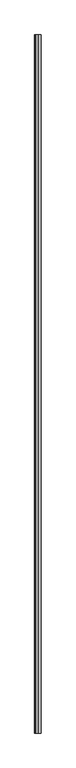
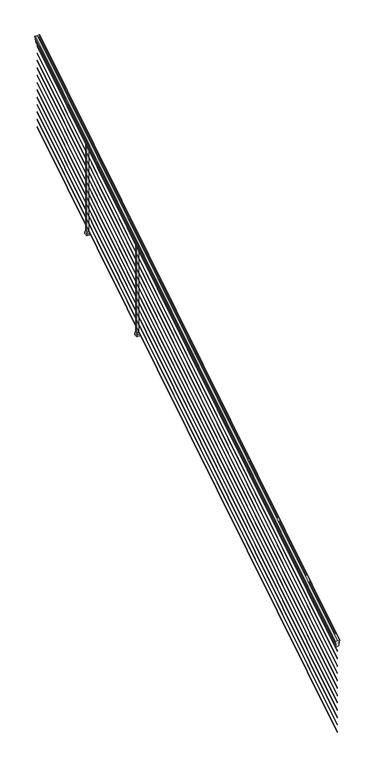
"""IFC4 building model written with IfcOpenShell, lengths in millimetres: railing geometry."""

from ifc_helpers import new_model, si_unit, frame, origin, place, context, project, spatial, polyline, ellipse_curve, outline, extrude, faceted_brep, source, transform, mapped, element, save
from ifc_brep_helpers import plane_surface, cylinder_surface, revolved_surface, advanced_brep


def railing_049b2762(model_context):
    return source(origin(), model_context, "Body", "SolidModel", [
        advanced_brep(
        [(7294.632944, -103155.6628453, 1133.2070492), (7297.2067728, -103155.6628453, 1133.2070492), (7297.2067728, -103155.6628453, 1120.6394336), (7296.1907728, -103155.6628453, 1119.441318), (7296.1907728, -103155.6628453, 1104.9), (7327.9407728, -103155.6628453, 1104.9), (7327.9407728, -103155.6628453, 1119.6274214), (7326.9247728, -103155.6628453, 1120.825537), (7326.9247728, -103155.6628453, 1133.2070492), (7329.4986015, -103155.6628453, 1133.2070492), (7329.4986015, -103155.6628453, 1135.4335658), (7330.6287878, -103155.6628453, 1137.2758543), (7330.6287878, -103155.6628453, 1145.7876358), (7329.9795314, -103155.6628453, 1148.6572588), (7332.4795314, -103155.6628453, 1153.7635509), (7333.8888739, -103155.6628453, 1155.7442021), (7334.2907729, -103155.6628453, 1157.0469579), (7334.2907728, -103155.6628453, 1158.6274846), (7332.7373255, -103155.6628453, 1160.4593836), (7312.0657728, -103155.6628453, 1160.4593836), (7291.39422, -103155.6628453, 1160.4593836), (7289.8407728, -103155.6628453, 1158.6274846), (7289.8407728, -103155.6628453, 1157.0469579), (7290.2426717, -103155.6628453, 1155.7442021), (7291.6520141, -103155.6628453, 1153.7635509), (7294.1520141, -103155.6628453, 1148.6572588), (7293.5027577, -103155.6628453, 1145.7876358), (7293.5027577, -103155.6628453, 1137.2758543), (7294.632944, -103155.6628453, 1135.4335658), (7294.632944, -98278.8628453, 4181.2070492), (7294.632944, -98278.8628453, 4183.4335658), (7293.5027577, -98278.8628453, 4185.2758543), (7293.5027577, -98278.8628453, 4193.7876358), (7294.1520141, -98278.8628453, 4196.6572588), (7291.6520141, -98278.8628453, 4201.7635509), (7290.2426717, -98278.8628453, 4203.7442021), (7289.8407727, -98278.8628453, 4205.0469579), (7289.8407728, -98278.8628453, 4206.6274846), (7291.39422, -98278.8628453, 4208.4593836), (7312.0657728, -98278.8628453, 4208.4593836), (7332.7373255, -98278.8628453, 4208.4593836), (7334.2907728, -98278.8628453, 4206.6274846), (7334.2907728, -98278.8628453, 4205.0469579), (7333.8888739, -98278.8628453, 4203.7442021), (7332.4795314, -98278.8628453, 4201.7635509), (7329.9795314, -98278.8628453, 4196.6572588), (7330.6287878, -98278.8628453, 4193.7876358), (7330.6287878, -98278.8628453, 4185.2758543), (7329.4986015, -98278.8628453, 4183.4335658), (7329.4986015, -98278.8628453, 4181.2070492), (7326.9247728, -98278.8628453, 4181.2070492), (7326.9247728, -98278.8628453, 4168.825537), (7327.9407728, -98278.8628453, 4167.6274214), (7327.9407728, -98278.8628453, 4152.9), (7296.1907728, -98278.8628453, 4152.9), (7296.1907728, -98278.8628453, 4167.441318), (7297.2067728, -98278.8628453, 4168.6394336), (7297.2067728, -98278.8628453, 4181.2070492)],
        [
            (0, 1, ellipse_curve(frame((7295.9198584, -103155.6628453, 1133.2070492), z_axis=(0.0, -1.0, 0.0), x_axis=(0.0, 0.0, -1.0)), 1.5175907, 1.2869144)),
            (1, 2),
            (2, 3),
            (3, 4),
            (4, 5),
            (5, 6),
            (6, 7),
            (7, 8),
            (8, 9, ellipse_curve(frame((7328.2116871, -103155.6628453, 1133.2070492), z_axis=(0.0, -1.0, 0.0), x_axis=(0.0, 0.0, -1.0)), 1.5175907, 1.2869144)),
            (9, 10),
            (10, 11, ellipse_curve(frame((7323.1838482, -103155.6628453, 1142.2239405), z_axis=(0.0, -1.0, 0.0), x_axis=(0.0, 0.0, -1.0)), 10.0777926, 8.545951)),
            (11, 12, ellipse_curve(frame((7323.6209112, -103155.6628453, 1141.5317451), z_axis=(0.0, -1.0, 0.0), x_axis=(0.0, 0.0, -1.0)), 9.2955186, 7.882584)),
            (12, 13, ellipse_curve(frame((7334.1342353, -103155.6628453, 1148.4275077), z_axis=(0.0, 1.0, 0.0), x_axis=(0.0, 0.0, 1.0)), 4.9048088, 4.1592695)),
            (13, 14, ellipse_curve(frame((7335.4215419, -103155.6628453, 1148.3563208), z_axis=(0.0, 1.0, 0.0), x_axis=(0.0, 0.0, 1.0)), 6.4245301, 5.4479907)),
            (14, 15, ellipse_curve(frame((7334.1883834, -103155.6628453, 1153.7602333), z_axis=(0.0, 1.0, 0.0), x_axis=(0.0, 0.0, 1.0)), 2.0151625, 1.7088543)),
            (15, 16, ellipse_curve(frame((7332.5714833, -103155.6628453, 1157.0469579), z_axis=(0.0, -1.0, 0.0), x_axis=(0.0, 0.0, -1.0)), 2.0274681, 1.7192895)),
            (16, 17),
            (17, 18, ellipse_curve(frame((7332.7373255, -103155.6628453, 1158.6274846), z_axis=(0.0, -1.0, 0.0), x_axis=(0.0, 0.0, -1.0)), 1.831899, 1.5534472)),
            (18, 19),
            (19, 20),
            (20, 21, ellipse_curve(frame((7291.39422, -103155.6628453, 1158.6274846), z_axis=(0.0, -1.0, 0.0), x_axis=(0.0, 0.0, -1.0)), 1.831899, 1.5534472)),
            (21, 22),
            (22, 23, ellipse_curve(frame((7291.5600622, -103155.6628453, 1157.0469579), z_axis=(0.0, -1.0, 0.0), x_axis=(0.0, 0.0, -1.0)), 2.0274681, 1.7192895)),
            (23, 24, ellipse_curve(frame((7289.9431621, -103155.6628453, 1153.7602333), z_axis=(0.0, 1.0, 0.0), x_axis=(0.0, 0.0, 1.0)), 2.0151625, 1.7088543)),
            (24, 25, ellipse_curve(frame((7288.7100037, -103155.6628453, 1148.3563208), z_axis=(0.0, 1.0, 0.0), x_axis=(0.0, 0.0, 1.0)), 6.4245301, 5.4479907)),
            (25, 26, ellipse_curve(frame((7289.9973102, -103155.6628453, 1148.4275077), z_axis=(0.0, 1.0, 0.0), x_axis=(0.0, 0.0, 1.0)), 4.9048088, 4.1592695)),
            (26, 27, ellipse_curve(frame((7300.5106343, -103155.6628453, 1141.5317451), z_axis=(0.0, -1.0, 0.0), x_axis=(0.0, 0.0, -1.0)), 9.2955186, 7.882584)),
            (27, 28, ellipse_curve(frame((7300.9476973, -103155.6628453, 1142.2239405), z_axis=(0.0, -1.0, 0.0), x_axis=(0.0, 0.0, -1.0)), 10.0777926, 8.545951)),
            (28, 0),
            (29, 30),
            (30, 31, ellipse_curve(frame((7300.9476973, -98278.8628453, 4190.2239405), z_axis=(0.0, 1.0, 0.0), x_axis=(0.0, 0.0, -1.0)), 10.0777926, 8.545951)),
            (31, 32, ellipse_curve(frame((7300.5106343, -98278.8628453, 4189.5317451), z_axis=(0.0, 1.0, 0.0), x_axis=(0.0, 0.0, -1.0)), 9.2955186, 7.882584)),
            (32, 33, ellipse_curve(frame((7289.9973102, -98278.8628453, 4196.4275077), z_axis=(0.0, -1.0, 0.0), x_axis=(0.0, 0.0, 1.0)), 4.9048088, 4.1592695)),
            (33, 34, ellipse_curve(frame((7288.7100037, -98278.8628453, 4196.3563208), z_axis=(0.0, -1.0, 0.0), x_axis=(0.0, 0.0, 1.0)), 6.4245301, 5.4479907)),
            (34, 35, ellipse_curve(frame((7289.9431621, -98278.8628453, 4201.7602333), z_axis=(0.0, -1.0, 0.0), x_axis=(0.0, 0.0, 1.0)), 2.0151625, 1.7088543)),
            (35, 36, ellipse_curve(frame((7291.5600622, -98278.8628453, 4205.0469579), z_axis=(0.0, 1.0, 0.0), x_axis=(0.0, 0.0, -1.0)), 2.0274681, 1.7192895)),
            (36, 37),
            (37, 38, ellipse_curve(frame((7291.39422, -98278.8628453, 4206.6274846), z_axis=(0.0, 1.0, 0.0), x_axis=(0.0, 0.0, -1.0)), 1.831899, 1.5534472)),
            (38, 39),
            (39, 40),
            (40, 41, ellipse_curve(frame((7332.7373255, -98278.8628453, 4206.6274846), z_axis=(0.0, 1.0, 0.0), x_axis=(0.0, 0.0, -1.0)), 1.831899, 1.5534472)),
            (41, 42),
            (42, 43, ellipse_curve(frame((7332.5714833, -98278.8628453, 4205.0469579), z_axis=(0.0, 1.0, 0.0), x_axis=(0.0, 0.0, -1.0)), 2.0274681, 1.7192895)),
            (43, 44, ellipse_curve(frame((7334.1883834, -98278.8628453, 4201.7602333), z_axis=(0.0, -1.0, 0.0), x_axis=(0.0, 0.0, 1.0)), 2.0151625, 1.7088543)),
            (44, 45, ellipse_curve(frame((7335.4215419, -98278.8628453, 4196.3563208), z_axis=(0.0, -1.0, 0.0), x_axis=(0.0, 0.0, 1.0)), 6.4245301, 5.4479907)),
            (45, 46, ellipse_curve(frame((7334.1342353, -98278.8628453, 4196.4275077), z_axis=(0.0, -1.0, 0.0), x_axis=(0.0, 0.0, 1.0)), 4.9048088, 4.1592695)),
            (46, 47, ellipse_curve(frame((7323.6209112, -98278.8628453, 4189.5317451), z_axis=(0.0, 1.0, 0.0), x_axis=(0.0, 0.0, -1.0)), 9.2955186, 7.882584)),
            (47, 48, ellipse_curve(frame((7323.1838482, -98278.8628453, 4190.2239405), z_axis=(0.0, 1.0, 0.0), x_axis=(0.0, 0.0, -1.0)), 10.0777926, 8.545951)),
            (48, 49),
            (49, 50, ellipse_curve(frame((7328.2116871, -98278.8628453, 4181.2070492), z_axis=(0.0, 1.0, 0.0), x_axis=(0.0, 0.0, -1.0)), 1.5175907, 1.2869144)),
            (50, 51),
            (51, 52),
            (52, 53),
            (53, 54),
            (54, 55),
            (55, 56),
            (56, 57),
            (57, 29, ellipse_curve(frame((7295.9198584, -98278.8628453, 4181.2070492), z_axis=(0.0, 1.0, 0.0), x_axis=(0.0, 0.0, -1.0)), 1.5175907, 1.2869144)),
            (28, 30),
            (29, 0),
            (27, 31),
            (26, 32),
            (25, 33),
            (24, 34),
            (23, 35),
            (22, 36),
            (21, 37),
            (20, 38),
            (19, 39),
            (18, 40),
            (17, 41),
            (16, 42),
            (15, 43),
            (14, 44),
            (13, 45),
            (12, 46),
            (11, 47),
            (10, 48),
            (9, 49),
            (8, 50),
            (7, 51),
            (6, 52),
            (5, 53),
            (4, 54),
            (3, 55),
            (2, 56),
            (1, 57),
        ],
        [
            plane_surface(frame((7312.0657728, -103155.6628453, 1104.9), z_axis=(0.0, -1.0, 0.0), x_axis=(0.0, 0.0, 1.0))),
            plane_surface(frame((7312.0657728, -98278.8628453, 4152.9), z_axis=(0.0, 1.0, 0.0), x_axis=(0.0, 0.0, 1.0))),
            plane_surface(frame((7294.632944, -103155.6628453, 1135.4335658), z_axis=(-1.0, 0.0, 0.0), x_axis=(0.0, 0.8479983040051252, 0.5299989400031204))),
            cylinder_surface(frame((7300.9476973, -103172.43765, 1131.7396876), z_axis=(0.0, -0.8479983040051253, -0.5299989400031204), x_axis=(1.0, 0.0, 0.0)), 8.545951),
            cylinder_surface(frame((7300.5106343, -103172.1265509, 1131.241929), z_axis=(0.0, -0.8479983040051253, -0.5299989400031204), x_axis=(1.0, 0.0, 0.0)), 7.882584),
            revolved_surface(polyline([(7294.1565797, -98276.65843685035, 4197.805262980558), (7294.1565797, -103157.86725374944, 1147.0497524191019)]), (7289.9973102, -103175.2257701, 1136.2006797), (0.0, 0.8479983040051253, 0.5299989400031204)),
            revolved_surface(polyline([(7294.1579944000005, -98275.97541603574, 4198.160964077185), (7294.1579944000005, -103158.5502745528, 1146.551677504493)]), (7288.7100037, -103175.193776, 1136.1494891), (0.0, 0.8479983040051253, 0.5299989400031204)),
            revolved_surface(polyline([(7291.6520164, -98277.95715429979, 4202.326290199658), (7291.6520164, -103156.56853632248, 1153.1941764359544)]), (7289.9431621, -103177.6225007, 1140.0354487), (0.0, 0.8479983040051253, 0.5299989400031204)),
            cylinder_surface(frame((7291.5600622, -103179.0996803, 1142.398936), z_axis=(0.0, -0.8479983040051253, -0.5299989400031204), x_axis=(1.0, 0.0, 0.0)), 1.7192895),
            plane_surface(frame((7289.8407728, -103155.6628453, 1158.6274846), z_axis=(-1.0, 0.0, 0.0), x_axis=(0.0, 0.8479983040051252, 0.5299989400031204))),
            cylinder_surface(frame((7291.39422, -103179.8100294, 1143.5354945), z_axis=(0.0, -0.8479983040051253, -0.5299989400031204), x_axis=(1.0, 0.0, 0.0)), 1.5534472),
            plane_surface(frame((7312.0657728, -103155.6628453, 1160.4593836), z_axis=(0.0, -0.5299989400031204, 0.8479983040051252), x_axis=(0.0, 0.8479983040051252, 0.5299989400031204))),
            plane_surface(frame((7332.7373255, -103155.6628453, 1160.4593836), z_axis=(0.0, -0.5299989400031204, 0.8479983040051252), x_axis=(0.0, 0.8479983040051252, 0.5299989400031204))),
            cylinder_surface(frame((7332.7373255, -103179.8100294, 1143.5354945), z_axis=(0.0, -0.8479983040051253, -0.5299989400031204), x_axis=(-1.0, 0.0, 0.0)), 1.5534472),
            plane_surface(frame((7334.2907728, -103155.6628453, 1157.0469579), z_axis=(1.0000000000000002, 0.0, 0.0), x_axis=(0.0, 0.8479983040051253, 0.5299989400031204))),
            cylinder_surface(frame((7332.5714833, -103179.0996803, 1142.398936), z_axis=(0.0, -0.8479983040051253, -0.5299989400031204), x_axis=(-1.0, 0.0, 0.0)), 1.7192895),
            revolved_surface(polyline([(7332.4795291, -98277.95715429979, 4202.326290199658), (7332.4795291, -103156.56853632248, 1153.1941764359544)]), (7334.1883834, -103177.6225007, 1140.0354487), (0.0, 0.8479983040051253, 0.5299989400031204)),
            revolved_surface(polyline([(7329.9735512, -98275.97541603574, 4198.160964077185), (7329.9735512, -103158.5502745528, 1146.551677504493)]), (7335.4215419, -103175.193776, 1136.1494891), (0.0, 0.8479983040051253, 0.5299989400031204)),
            revolved_surface(polyline([(7329.9749658, -98276.65843685035, 4197.805262980558), (7329.9749658, -103157.86725374944, 1147.0497524191019)]), (7334.1342353, -103175.2257701, 1136.2006797), (0.0, 0.8479983040051253, 0.5299989400031204)),
            cylinder_surface(frame((7323.6209112, -103172.1265509, 1131.241929), z_axis=(0.0, -0.8479983040051253, -0.5299989400031204), x_axis=(-1.0, 0.0, 0.0)), 7.882584),
            cylinder_surface(frame((7323.1838482, -103172.43765, 1131.7396876), z_axis=(0.0, -0.8479983040051253, -0.5299989400031204), x_axis=(-1.0, 0.0, 0.0)), 8.545951),
            plane_surface(frame((7329.4986015, -103155.6628453, 1133.2070492), z_axis=(1.0, 0.0, 0.0), x_axis=(0.0, 0.8479983040051252, 0.5299989400031204))),
            cylinder_surface(frame((7328.2116871, -103168.3851146, 1125.2556309), z_axis=(0.0, -0.8479983040051253, -0.5299989400031204), x_axis=(-1.0, 0.0, 0.0)), 1.2869144),
            plane_surface(frame((7326.9247728, -103155.6628453, 1120.825537), z_axis=(1.0, 0.0, 0.0), x_axis=(0.0, 0.8479983040051252, 0.5299989400031204))),
            plane_surface(frame((7327.9407728, -103155.6628453, 1119.6274214), z_axis=(0.7071067811865426, -0.3747658444978921, 0.5996253511967194), x_axis=(0.0, 0.8479983040051253, 0.5299989400031204))),
            plane_surface(frame((7327.9407728, -103155.6628453, 1104.9), z_axis=(1.0, 0.0, 0.0), x_axis=(0.0, 0.8479983040051252, 0.5299989400031204))),
            plane_surface(frame((7296.1907728, -103155.6628453, 1104.9), z_axis=(0.0, 0.5299989400031204, -0.8479983040051252), x_axis=(0.0, 0.8479983040051252, 0.5299989400031204))),
            plane_surface(frame((7296.1907728, -103155.6628453, 1119.441318), z_axis=(-1.0000000000000002, 0.0, 0.0), x_axis=(0.0, 0.8479983040051253, 0.5299989400031204))),
            plane_surface(frame((7297.2067728, -103155.6628453, 1120.6394336), z_axis=(-0.7071067811865401, -0.3747658444978918, 0.5996253511967223), x_axis=(0.0, 0.8479983040051253, 0.5299989400031204))),
            plane_surface(frame((7297.2067728, -103155.6628453, 1133.2070492), z_axis=(-1.0, 0.0, 0.0), x_axis=(0.0, 0.8479983040051252, 0.5299989400031204))),
            cylinder_surface(frame((7295.9198584, -103168.3851146, 1125.2556309), z_axis=(0.0, -0.8479983040051253, -0.5299989400031204), x_axis=(1.0, 0.0, 0.0)), 1.2869144),
        ],
        [
            (0, [[1, 2, 3, 4, 5, 6, 7, 8, 9, 10, 11, 12, 13, 14, 15, 16, 17, 18, 19, 20, 21, 22, 23, 24, 25, 26, 27, 28, 29]]),
            (1, [[30, 31, 32, 33, 34, 35, 36, 37, 38, 39, 40, 41, 42, 43, 44, 45, 46, 47, 48, 49, 50, 51, 52, 53, 54, 55, 56, 57, 58]]),
            (2, [[-29, 59, -30, 60]]),
            (3, [[-28, 61, -31, -59]]),
            (4, [[-27, 62, -32, -61]]),
            (5, [[-26, 63, -33, -62]]),
            (6, [[-25, 64, -34, -63]]),
            (7, [[-24, 65, -35, -64]]),
            (8, [[-23, 66, -36, -65]]),
            (9, [[-22, 67, -37, -66]]),
            (10, [[-21, 68, -38, -67]]),
            (11, [[-20, 69, -39, -68]]),
            (12, [[-19, 70, -40, -69]]),
            (13, [[-18, 71, -41, -70]]),
            (14, [[-17, 72, -42, -71]]),
            (15, [[-16, 73, -43, -72]]),
            (16, [[-15, 74, -44, -73]]),
            (17, [[-14, 75, -45, -74]]),
            (18, [[-13, 76, -46, -75]]),
            (19, [[-12, 77, -47, -76]]),
            (20, [[-11, 78, -48, -77]]),
            (21, [[-10, 79, -49, -78]]),
            (22, [[-9, 80, -50, -79]]),
            (23, [[-8, 81, -51, -80]]),
            (24, [[-7, 82, -52, -81]]),
            (25, [[-6, 83, -53, -82]]),
            (26, [[-5, 84, -54, -83]]),
            (27, [[-4, 85, -55, -84]]),
            (28, [[-3, 86, -56, -85]]),
            (29, [[-2, 87, -57, -86]]),
            (30, [[-1, -60, -58, -87]]),
        ],
    ),
        advanced_brep(
        [(7313.6532728, -103155.6628453, 255.524), (7312.0657728, -103155.6628453, 257.3960556), (7310.4782728, -103155.6628453, 255.524), (7312.0657728, -103155.6628453, 253.6519444), (7313.6532728, -98278.8628453, 3303.524), (7312.0657728, -98278.8628453, 3301.6519444), (7310.4782728, -98278.8628453, 3303.524), (7312.0657728, -98278.8628453, 3305.3960556)],
        [
            (0, 1, ellipse_curve(frame((7312.0657728, -103155.6628453, 255.524), z_axis=(0.0, -1.0, 0.0), x_axis=(0.0, 0.0, -1.0)), 1.8720556, 1.5875)),
            (1, 2, ellipse_curve(frame((7312.0657728, -103155.6628453, 255.524), z_axis=(0.0, -1.0, 0.0), x_axis=(0.0, 0.0, -1.0)), 1.8720556, 1.5875)),
            (2, 3, ellipse_curve(frame((7312.0657728, -103155.6628453, 255.524), z_axis=(0.0, -1.0, 0.0), x_axis=(0.0, 0.0, -1.0)), 1.8720556, 1.5875)),
            (3, 0, ellipse_curve(frame((7312.0657728, -103155.6628453, 255.524), z_axis=(0.0, -1.0, 0.0), x_axis=(0.0, 0.0, -1.0)), 1.8720556, 1.5875)),
            (4, 5, ellipse_curve(frame((7312.0657728, -98278.8628453, 3303.524), z_axis=(0.0, 1.0, 0.0), x_axis=(0.0, 0.0, -1.0)), 1.8720556, 1.5875)),
            (5, 6, ellipse_curve(frame((7312.0657728, -98278.8628453, 3303.524), z_axis=(0.0, 1.0, 0.0), x_axis=(0.0, 0.0, -1.0)), 1.8720556, 1.5875)),
            (6, 7, ellipse_curve(frame((7312.0657728, -98278.8628453, 3303.524), z_axis=(0.0, 1.0, 0.0), x_axis=(0.0, 0.0, -1.0)), 1.8720556, 1.5875)),
            (7, 4, ellipse_curve(frame((7312.0657728, -98278.8628453, 3303.524), z_axis=(0.0, 1.0, 0.0), x_axis=(0.0, 0.0, -1.0)), 1.8720556, 1.5875)),
            (3, 5),
            (4, 0),
            (2, 6),
            (1, 7),
        ],
        [
            plane_surface(frame((7312.0657728, -103155.6628453, 255.524), z_axis=(0.0, -1.0, 0.0), x_axis=(0.0, 0.0, 1.0))),
            plane_surface(frame((7312.0657728, -98278.8628453, 3303.524), z_axis=(0.0, 1.0, 0.0), x_axis=(0.0, 0.0, 1.0))),
            cylinder_surface(frame((7312.0657728, -103155.6628453, 255.524), z_axis=(0.0, -0.8479983040051253, -0.5299989400031204), x_axis=(1.0, 0.0, 0.0)), 1.5875),
        ],
        [
            (0, [[1, 2, 3, 4]]),
            (1, [[5, 6, 7, 8]]),
            (2, [[-4, 9, -5, 10]]),
            (2, [[-3, 11, -6, -9]]),
            (2, [[-2, 12, -7, -11]]),
            (2, [[-1, -10, -8, -12]]),
        ],
    ),
        advanced_brep(
        [(7313.6532728, -103155.6628453, 328.676), (7312.0657728, -103155.6628453, 330.5480556), (7310.4782728, -103155.6628453, 328.676), (7312.0657728, -103155.6628453, 326.8039444), (7313.6532728, -98278.8628453, 3376.676), (7312.0657728, -98278.8628453, 3374.8039444), (7310.4782728, -98278.8628453, 3376.676), (7312.0657728, -98278.8628453, 3378.5480556)],
        [
            (0, 1, ellipse_curve(frame((7312.0657728, -103155.6628453, 328.676), z_axis=(0.0, -1.0, 0.0), x_axis=(0.0, 0.0, -1.0)), 1.8720556, 1.5875)),
            (1, 2, ellipse_curve(frame((7312.0657728, -103155.6628453, 328.676), z_axis=(0.0, -1.0, 0.0), x_axis=(0.0, 0.0, -1.0)), 1.8720556, 1.5875)),
            (2, 3, ellipse_curve(frame((7312.0657728, -103155.6628453, 328.676), z_axis=(0.0, -1.0, 0.0), x_axis=(0.0, 0.0, -1.0)), 1.8720556, 1.5875)),
            (3, 0, ellipse_curve(frame((7312.0657728, -103155.6628453, 328.676), z_axis=(0.0, -1.0, 0.0), x_axis=(0.0, 0.0, -1.0)), 1.8720556, 1.5875)),
            (4, 5, ellipse_curve(frame((7312.0657728, -98278.8628453, 3376.676), z_axis=(0.0, 1.0, 0.0), x_axis=(0.0, 0.0, -1.0)), 1.8720556, 1.5875)),
            (5, 6, ellipse_curve(frame((7312.0657728, -98278.8628453, 3376.676), z_axis=(0.0, 1.0, 0.0), x_axis=(0.0, 0.0, -1.0)), 1.8720556, 1.5875)),
            (6, 7, ellipse_curve(frame((7312.0657728, -98278.8628453, 3376.676), z_axis=(0.0, 1.0, 0.0), x_axis=(0.0, 0.0, -1.0)), 1.8720556, 1.5875)),
            (7, 4, ellipse_curve(frame((7312.0657728, -98278.8628453, 3376.676), z_axis=(0.0, 1.0, 0.0), x_axis=(0.0, 0.0, -1.0)), 1.8720556, 1.5875)),
            (0, 4),
            (7, 1),
            (6, 2),
            (5, 3),
        ],
        [
            plane_surface(frame((7312.0657728, -103155.6628453, 328.676), z_axis=(0.0, -1.0, 0.0), x_axis=(0.0, 0.0, 1.0))),
            plane_surface(frame((7312.0657728, -98278.8628453, 3376.676), z_axis=(0.0, 1.0, 0.0), x_axis=(0.0, 0.0, 1.0))),
            cylinder_surface(frame((7312.0657728, -103155.6628453, 328.676), z_axis=(0.0, -0.8479983040051253, -0.5299989400031204), x_axis=(1.0, 0.0, 0.0)), 1.5875),
        ],
        [
            (0, [[1, 2, 3, 4]]),
            (1, [[5, 6, 7, 8]]),
            (2, [[-1, 9, -8, 10]]),
            (2, [[-2, -10, -7, 11]]),
            (2, [[-3, -11, -6, 12]]),
            (2, [[-4, -12, -5, -9]]),
        ],
    ),
        advanced_brep(
        [(7313.6532728, -103155.6628453, 401.574), (7312.0657728, -103155.6628453, 403.4460556), (7310.4782728, -103155.6628453, 401.574), (7312.0657728, -103155.6628453, 399.7019444), (7313.6532728, -98278.8628453, 3449.574), (7312.0657728, -98278.8628453, 3447.7019444), (7310.4782728, -98278.8628453, 3449.574), (7312.0657728, -98278.8628453, 3451.4460556)],
        [
            (0, 1, ellipse_curve(frame((7312.0657728, -103155.6628453, 401.574), z_axis=(0.0, -1.0, 0.0), x_axis=(0.0, 0.0, -1.0)), 1.8720556, 1.5875)),
            (1, 2, ellipse_curve(frame((7312.0657728, -103155.6628453, 401.574), z_axis=(0.0, -1.0, 0.0), x_axis=(0.0, 0.0, -1.0)), 1.8720556, 1.5875)),
            (2, 3, ellipse_curve(frame((7312.0657728, -103155.6628453, 401.574), z_axis=(0.0, -1.0, 0.0), x_axis=(0.0, 0.0, -1.0)), 1.8720556, 1.5875)),
            (3, 0, ellipse_curve(frame((7312.0657728, -103155.6628453, 401.574), z_axis=(0.0, -1.0, 0.0), x_axis=(0.0, 0.0, -1.0)), 1.8720556, 1.5875)),
            (4, 5, ellipse_curve(frame((7312.0657728, -98278.8628453, 3449.574), z_axis=(0.0, 1.0, 0.0), x_axis=(0.0, 0.0, -1.0)), 1.8720556, 1.5875)),
            (5, 6, ellipse_curve(frame((7312.0657728, -98278.8628453, 3449.574), z_axis=(0.0, 1.0, 0.0), x_axis=(0.0, 0.0, -1.0)), 1.8720556, 1.5875)),
            (6, 7, ellipse_curve(frame((7312.0657728, -98278.8628453, 3449.574), z_axis=(0.0, 1.0, 0.0), x_axis=(0.0, 0.0, -1.0)), 1.8720556, 1.5875)),
            (7, 4, ellipse_curve(frame((7312.0657728, -98278.8628453, 3449.574), z_axis=(0.0, 1.0, 0.0), x_axis=(0.0, 0.0, -1.0)), 1.8720556, 1.5875)),
            (0, 4),
            (7, 1),
            (6, 2),
            (5, 3),
        ],
        [
            plane_surface(frame((7312.0657728, -103155.6628453, 401.574), z_axis=(0.0, -1.0, 0.0), x_axis=(0.0, 0.0, 1.0))),
            plane_surface(frame((7312.0657728, -98278.8628453, 3449.574), z_axis=(0.0, 1.0, 0.0), x_axis=(0.0, 0.0, 1.0))),
            cylinder_surface(frame((7312.0657728, -103155.6628453, 401.574), z_axis=(0.0, -0.8479983040051253, -0.5299989400031204), x_axis=(1.0, 0.0, 0.0)), 1.5875),
        ],
        [
            (0, [[1, 2, 3, 4]]),
            (1, [[5, 6, 7, 8]]),
            (2, [[-1, 9, -8, 10]]),
            (2, [[-2, -10, -7, 11]]),
            (2, [[-3, -11, -6, 12]]),
            (2, [[-4, -12, -5, -9]]),
        ],
    ),
        advanced_brep(
        [(7313.6532728, -103155.6628453, 474.726), (7312.0657728, -103155.6628453, 476.5980556), (7310.4782728, -103155.6628453, 474.726), (7312.0657728, -103155.6628453, 472.8539444), (7313.6532728, -98278.8628453, 3522.726), (7312.0657728, -98278.8628453, 3520.8539444), (7310.4782728, -98278.8628453, 3522.726), (7312.0657728, -98278.8628453, 3524.5980556)],
        [
            (0, 1, ellipse_curve(frame((7312.0657728, -103155.6628453, 474.726), z_axis=(0.0, -1.0, 0.0), x_axis=(0.0, 0.0, -1.0)), 1.8720556, 1.5875)),
            (1, 2, ellipse_curve(frame((7312.0657728, -103155.6628453, 474.726), z_axis=(0.0, -1.0, 0.0), x_axis=(0.0, 0.0, -1.0)), 1.8720556, 1.5875)),
            (2, 3, ellipse_curve(frame((7312.0657728, -103155.6628453, 474.726), z_axis=(0.0, -1.0, 0.0), x_axis=(0.0, 0.0, -1.0)), 1.8720556, 1.5875)),
            (3, 0, ellipse_curve(frame((7312.0657728, -103155.6628453, 474.726), z_axis=(0.0, -1.0, 0.0), x_axis=(0.0, 0.0, -1.0)), 1.8720556, 1.5875)),
            (4, 5, ellipse_curve(frame((7312.0657728, -98278.8628453, 3522.726), z_axis=(0.0, 1.0, 0.0), x_axis=(0.0, 0.0, -1.0)), 1.8720556, 1.5875)),
            (5, 6, ellipse_curve(frame((7312.0657728, -98278.8628453, 3522.726), z_axis=(0.0, 1.0, 0.0), x_axis=(0.0, 0.0, -1.0)), 1.8720556, 1.5875)),
            (6, 7, ellipse_curve(frame((7312.0657728, -98278.8628453, 3522.726), z_axis=(0.0, 1.0, 0.0), x_axis=(0.0, 0.0, -1.0)), 1.8720556, 1.5875)),
            (7, 4, ellipse_curve(frame((7312.0657728, -98278.8628453, 3522.726), z_axis=(0.0, 1.0, 0.0), x_axis=(0.0, 0.0, -1.0)), 1.8720556, 1.5875)),
            (0, 4),
            (7, 1),
            (6, 2),
            (5, 3),
        ],
        [
            plane_surface(frame((7312.0657728, -103155.6628453, 474.726), z_axis=(0.0, -1.0, 0.0), x_axis=(0.0, 0.0, 1.0))),
            plane_surface(frame((7312.0657728, -98278.8628453, 3522.726), z_axis=(0.0, 1.0, 0.0), x_axis=(0.0, 0.0, 1.0))),
            cylinder_surface(frame((7312.0657728, -103155.6628453, 474.726), z_axis=(0.0, -0.8479983040051253, -0.5299989400031204), x_axis=(1.0, 0.0, 0.0)), 1.5875),
        ],
        [
            (0, [[1, 2, 3, 4]]),
            (1, [[5, 6, 7, 8]]),
            (2, [[-1, 9, -8, 10]]),
            (2, [[-2, -10, -7, 11]]),
            (2, [[-3, -11, -6, 12]]),
            (2, [[-4, -12, -5, -9]]),
        ],
    ),
        advanced_brep(
        [(7313.6532728, -103155.6628453, 547.624), (7312.0657728, -103155.6628453, 549.4960556), (7310.4782728, -103155.6628453, 547.624), (7312.0657728, -103155.6628453, 545.7519444), (7313.6532728, -98278.8628453, 3595.624), (7312.0657728, -98278.8628453, 3593.7519444), (7310.4782728, -98278.8628453, 3595.624), (7312.0657728, -98278.8628453, 3597.4960556)],
        [
            (0, 1, ellipse_curve(frame((7312.0657728, -103155.6628453, 547.624), z_axis=(0.0, -1.0, 0.0), x_axis=(0.0, 0.0, -1.0)), 1.8720556, 1.5875)),
            (1, 2, ellipse_curve(frame((7312.0657728, -103155.6628453, 547.624), z_axis=(0.0, -1.0, 0.0), x_axis=(0.0, 0.0, -1.0)), 1.8720556, 1.5875)),
            (2, 3, ellipse_curve(frame((7312.0657728, -103155.6628453, 547.624), z_axis=(0.0, -1.0, 0.0), x_axis=(0.0, 0.0, -1.0)), 1.8720556, 1.5875)),
            (3, 0, ellipse_curve(frame((7312.0657728, -103155.6628453, 547.624), z_axis=(0.0, -1.0, 0.0), x_axis=(0.0, 0.0, -1.0)), 1.8720556, 1.5875)),
            (4, 5, ellipse_curve(frame((7312.0657728, -98278.8628453, 3595.624), z_axis=(0.0, 1.0, 0.0), x_axis=(0.0, 0.0, -1.0)), 1.8720556, 1.5875)),
            (5, 6, ellipse_curve(frame((7312.0657728, -98278.8628453, 3595.624), z_axis=(0.0, 1.0, 0.0), x_axis=(0.0, 0.0, -1.0)), 1.8720556, 1.5875)),
            (6, 7, ellipse_curve(frame((7312.0657728, -98278.8628453, 3595.624), z_axis=(0.0, 1.0, 0.0), x_axis=(0.0, 0.0, -1.0)), 1.8720556, 1.5875)),
            (7, 4, ellipse_curve(frame((7312.0657728, -98278.8628453, 3595.624), z_axis=(0.0, 1.0, 0.0), x_axis=(0.0, 0.0, -1.0)), 1.8720556, 1.5875)),
            (0, 4),
            (7, 1),
            (6, 2),
            (5, 3),
        ],
        [
            plane_surface(frame((7312.0657728, -103155.6628453, 547.624), z_axis=(0.0, -1.0, 0.0), x_axis=(0.0, 0.0, 1.0))),
            plane_surface(frame((7312.0657728, -98278.8628453, 3595.624), z_axis=(0.0, 1.0, 0.0), x_axis=(0.0, 0.0, 1.0))),
            cylinder_surface(frame((7312.0657728, -103155.6628453, 547.624), z_axis=(0.0, -0.8479983040051253, -0.5299989400031204), x_axis=(1.0, 0.0, 0.0)), 1.5875),
        ],
        [
            (0, [[1, 2, 3, 4]]),
            (1, [[5, 6, 7, 8]]),
            (2, [[-1, 9, -8, 10]]),
            (2, [[-2, -10, -7, 11]]),
            (2, [[-3, -11, -6, 12]]),
            (2, [[-4, -12, -5, -9]]),
        ],
    ),
        advanced_brep(
        [(7313.6532728, -103155.6628453, 620.776), (7312.0657728, -103155.6628453, 622.6480556), (7310.4782728, -103155.6628453, 620.776), (7312.0657728, -103155.6628453, 618.9039444), (7313.6532728, -98278.8628453, 3668.776), (7312.0657728, -98278.8628453, 3666.9039444), (7310.4782728, -98278.8628453, 3668.776), (7312.0657728, -98278.8628453, 3670.6480556)],
        [
            (0, 1, ellipse_curve(frame((7312.0657728, -103155.6628453, 620.776), z_axis=(0.0, -1.0, 0.0), x_axis=(0.0, 0.0, -1.0)), 1.8720556, 1.5875)),
            (1, 2, ellipse_curve(frame((7312.0657728, -103155.6628453, 620.776), z_axis=(0.0, -1.0, 0.0), x_axis=(0.0, 0.0, -1.0)), 1.8720556, 1.5875)),
            (2, 3, ellipse_curve(frame((7312.0657728, -103155.6628453, 620.776), z_axis=(0.0, -1.0, 0.0), x_axis=(0.0, 0.0, -1.0)), 1.8720556, 1.5875)),
            (3, 0, ellipse_curve(frame((7312.0657728, -103155.6628453, 620.776), z_axis=(0.0, -1.0, 0.0), x_axis=(0.0, 0.0, -1.0)), 1.8720556, 1.5875)),
            (4, 5, ellipse_curve(frame((7312.0657728, -98278.8628453, 3668.776), z_axis=(0.0, 1.0, 0.0), x_axis=(0.0, 0.0, -1.0)), 1.8720556, 1.5875)),
            (5, 6, ellipse_curve(frame((7312.0657728, -98278.8628453, 3668.776), z_axis=(0.0, 1.0, 0.0), x_axis=(0.0, 0.0, -1.0)), 1.8720556, 1.5875)),
            (6, 7, ellipse_curve(frame((7312.0657728, -98278.8628453, 3668.776), z_axis=(0.0, 1.0, 0.0), x_axis=(0.0, 0.0, -1.0)), 1.8720556, 1.5875)),
            (7, 4, ellipse_curve(frame((7312.0657728, -98278.8628453, 3668.776), z_axis=(0.0, 1.0, 0.0), x_axis=(0.0, 0.0, -1.0)), 1.8720556, 1.5875)),
            (0, 4),
            (7, 1),
            (6, 2),
            (5, 3),
        ],
        [
            plane_surface(frame((7312.0657728, -103155.6628453, 620.776), z_axis=(0.0, -1.0, 0.0), x_axis=(0.0, 0.0, 1.0))),
            plane_surface(frame((7312.0657728, -98278.8628453, 3668.776), z_axis=(0.0, 1.0, 0.0), x_axis=(0.0, 0.0, 1.0))),
            cylinder_surface(frame((7312.0657728, -103155.6628453, 620.776), z_axis=(0.0, -0.8479983040051253, -0.5299989400031204), x_axis=(1.0, 0.0, 0.0)), 1.5875),
        ],
        [
            (0, [[1, 2, 3, 4]]),
            (1, [[5, 6, 7, 8]]),
            (2, [[-1, 9, -8, 10]]),
            (2, [[-2, -10, -7, 11]]),
            (2, [[-3, -11, -6, 12]]),
            (2, [[-4, -12, -5, -9]]),
        ],
    ),
        advanced_brep(
        [(7313.6532728, -103155.6628453, 693.674), (7312.0657728, -103155.6628453, 695.5460556), (7310.4782728, -103155.6628453, 693.674), (7312.0657728, -103155.6628453, 691.8019444), (7313.6532728, -98278.8628453, 3741.674), (7312.0657728, -98278.8628453, 3739.8019444), (7310.4782728, -98278.8628453, 3741.674), (7312.0657728, -98278.8628453, 3743.5460556)],
        [
            (0, 1, ellipse_curve(frame((7312.0657728, -103155.6628453, 693.674), z_axis=(0.0, -1.0, 0.0), x_axis=(0.0, 0.0, -1.0)), 1.8720556, 1.5875)),
            (1, 2, ellipse_curve(frame((7312.0657728, -103155.6628453, 693.674), z_axis=(0.0, -1.0, 0.0), x_axis=(0.0, 0.0, -1.0)), 1.8720556, 1.5875)),
            (2, 3, ellipse_curve(frame((7312.0657728, -103155.6628453, 693.674), z_axis=(0.0, -1.0, 0.0), x_axis=(0.0, 0.0, -1.0)), 1.8720556, 1.5875)),
            (3, 0, ellipse_curve(frame((7312.0657728, -103155.6628453, 693.674), z_axis=(0.0, -1.0, 0.0), x_axis=(0.0, 0.0, -1.0)), 1.8720556, 1.5875)),
            (4, 5, ellipse_curve(frame((7312.0657728, -98278.8628453, 3741.674), z_axis=(0.0, 1.0, 0.0), x_axis=(0.0, 0.0, -1.0)), 1.8720556, 1.5875)),
            (5, 6, ellipse_curve(frame((7312.0657728, -98278.8628453, 3741.674), z_axis=(0.0, 1.0, 0.0), x_axis=(0.0, 0.0, -1.0)), 1.8720556, 1.5875)),
            (6, 7, ellipse_curve(frame((7312.0657728, -98278.8628453, 3741.674), z_axis=(0.0, 1.0, 0.0), x_axis=(0.0, 0.0, -1.0)), 1.8720556, 1.5875)),
            (7, 4, ellipse_curve(frame((7312.0657728, -98278.8628453, 3741.674), z_axis=(0.0, 1.0, 0.0), x_axis=(0.0, 0.0, -1.0)), 1.8720556, 1.5875)),
            (0, 4),
            (7, 1),
            (6, 2),
            (5, 3),
        ],
        [
            plane_surface(frame((7312.0657728, -103155.6628453, 693.674), z_axis=(0.0, -1.0, 0.0), x_axis=(0.0, 0.0, 1.0))),
            plane_surface(frame((7312.0657728, -98278.8628453, 3741.674), z_axis=(0.0, 1.0, 0.0), x_axis=(0.0, 0.0, 1.0))),
            cylinder_surface(frame((7312.0657728, -103155.6628453, 693.674), z_axis=(0.0, -0.8479983040051253, -0.5299989400031204), x_axis=(1.0, 0.0, 0.0)), 1.5875),
        ],
        [
            (0, [[1, 2, 3, 4]]),
            (1, [[5, 6, 7, 8]]),
            (2, [[-1, 9, -8, 10]]),
            (2, [[-2, -10, -7, 11]]),
            (2, [[-3, -11, -6, 12]]),
            (2, [[-4, -12, -5, -9]]),
        ],
    ),
        advanced_brep(
        [(7313.6532728, -103155.6628453, 766.826), (7312.0657728, -103155.6628453, 768.6980556), (7310.4782728, -103155.6628453, 766.826), (7312.0657728, -103155.6628453, 764.9539444), (7313.6532728, -98278.8628453, 3814.826), (7312.0657728, -98278.8628453, 3812.9539444), (7310.4782728, -98278.8628453, 3814.826), (7312.0657728, -98278.8628453, 3816.6980556)],
        [
            (0, 1, ellipse_curve(frame((7312.0657728, -103155.6628453, 766.826), z_axis=(0.0, -1.0, 0.0), x_axis=(0.0, 0.0, -1.0)), 1.8720556, 1.5875)),
            (1, 2, ellipse_curve(frame((7312.0657728, -103155.6628453, 766.826), z_axis=(0.0, -1.0, 0.0), x_axis=(0.0, 0.0, -1.0)), 1.8720556, 1.5875)),
            (2, 3, ellipse_curve(frame((7312.0657728, -103155.6628453, 766.826), z_axis=(0.0, -1.0, 0.0), x_axis=(0.0, 0.0, -1.0)), 1.8720556, 1.5875)),
            (3, 0, ellipse_curve(frame((7312.0657728, -103155.6628453, 766.826), z_axis=(0.0, -1.0, 0.0), x_axis=(0.0, 0.0, -1.0)), 1.8720556, 1.5875)),
            (4, 5, ellipse_curve(frame((7312.0657728, -98278.8628453, 3814.826), z_axis=(0.0, 1.0, 0.0), x_axis=(0.0, 0.0, -1.0)), 1.8720556, 1.5875)),
            (5, 6, ellipse_curve(frame((7312.0657728, -98278.8628453, 3814.826), z_axis=(0.0, 1.0, 0.0), x_axis=(0.0, 0.0, -1.0)), 1.8720556, 1.5875)),
            (6, 7, ellipse_curve(frame((7312.0657728, -98278.8628453, 3814.826), z_axis=(0.0, 1.0, 0.0), x_axis=(0.0, 0.0, -1.0)), 1.8720556, 1.5875)),
            (7, 4, ellipse_curve(frame((7312.0657728, -98278.8628453, 3814.826), z_axis=(0.0, 1.0, 0.0), x_axis=(0.0, 0.0, -1.0)), 1.8720556, 1.5875)),
            (0, 4),
            (7, 1),
            (6, 2),
            (5, 3),
        ],
        [
            plane_surface(frame((7312.0657728, -103155.6628453, 766.826), z_axis=(0.0, -1.0, 0.0), x_axis=(0.0, 0.0, 1.0))),
            plane_surface(frame((7312.0657728, -98278.8628453, 3814.826), z_axis=(0.0, 1.0, 0.0), x_axis=(0.0, 0.0, 1.0))),
            cylinder_surface(frame((7312.0657728, -103155.6628453, 766.826), z_axis=(0.0, -0.8479983040051253, -0.5299989400031204), x_axis=(1.0, 0.0, 0.0)), 1.5875),
        ],
        [
            (0, [[1, 2, 3, 4]]),
            (1, [[5, 6, 7, 8]]),
            (2, [[-1, 9, -8, 10]]),
            (2, [[-2, -10, -7, 11]]),
            (2, [[-3, -11, -6, 12]]),
            (2, [[-4, -12, -5, -9]]),
        ],
    ),
        advanced_brep(
        [(7313.6532728, -103155.6628453, 839.724), (7312.0657728, -103155.6628453, 841.5960556), (7310.4782728, -103155.6628453, 839.724), (7312.0657728, -103155.6628453, 837.8519444), (7313.6532728, -98278.8628453, 3887.724), (7312.0657728, -98278.8628453, 3885.8519444), (7310.4782728, -98278.8628453, 3887.724), (7312.0657728, -98278.8628453, 3889.5960556)],
        [
            (0, 1, ellipse_curve(frame((7312.0657728, -103155.6628453, 839.724), z_axis=(0.0, -1.0, 0.0), x_axis=(0.0, 0.0, -1.0)), 1.8720556, 1.5875)),
            (1, 2, ellipse_curve(frame((7312.0657728, -103155.6628453, 839.724), z_axis=(0.0, -1.0, 0.0), x_axis=(0.0, 0.0, -1.0)), 1.8720556, 1.5875)),
            (2, 3, ellipse_curve(frame((7312.0657728, -103155.6628453, 839.724), z_axis=(0.0, -1.0, 0.0), x_axis=(0.0, 0.0, -1.0)), 1.8720556, 1.5875)),
            (3, 0, ellipse_curve(frame((7312.0657728, -103155.6628453, 839.724), z_axis=(0.0, -1.0, 0.0), x_axis=(0.0, 0.0, -1.0)), 1.8720556, 1.5875)),
            (4, 5, ellipse_curve(frame((7312.0657728, -98278.8628453, 3887.724), z_axis=(0.0, 1.0, 0.0), x_axis=(0.0, 0.0, -1.0)), 1.8720556, 1.5875)),
            (5, 6, ellipse_curve(frame((7312.0657728, -98278.8628453, 3887.724), z_axis=(0.0, 1.0, 0.0), x_axis=(0.0, 0.0, -1.0)), 1.8720556, 1.5875)),
            (6, 7, ellipse_curve(frame((7312.0657728, -98278.8628453, 3887.724), z_axis=(0.0, 1.0, 0.0), x_axis=(0.0, 0.0, -1.0)), 1.8720556, 1.5875)),
            (7, 4, ellipse_curve(frame((7312.0657728, -98278.8628453, 3887.724), z_axis=(0.0, 1.0, 0.0), x_axis=(0.0, 0.0, -1.0)), 1.8720556, 1.5875)),
            (0, 4),
            (7, 1),
            (6, 2),
            (5, 3),
        ],
        [
            plane_surface(frame((7312.0657728, -103155.6628453, 839.724), z_axis=(0.0, -1.0, 0.0), x_axis=(0.0, 0.0, 1.0))),
            plane_surface(frame((7312.0657728, -98278.8628453, 3887.724), z_axis=(0.0, 1.0, 0.0), x_axis=(0.0, 0.0, 1.0))),
            cylinder_surface(frame((7312.0657728, -103155.6628453, 839.724), z_axis=(0.0, -0.8479983040051253, -0.5299989400031204), x_axis=(1.0, 0.0, 0.0)), 1.5875),
        ],
        [
            (0, [[1, 2, 3, 4]]),
            (1, [[5, 6, 7, 8]]),
            (2, [[-1, 9, -8, 10]]),
            (2, [[-2, -10, -7, 11]]),
            (2, [[-3, -11, -6, 12]]),
            (2, [[-4, -12, -5, -9]]),
        ],
    ),
        advanced_brep(
        [(7313.6532728, -103155.6628453, 912.876), (7312.0657728, -103155.6628453, 914.7480556), (7310.4782728, -103155.6628453, 912.876), (7312.0657728, -103155.6628453, 911.0039444), (7313.6532728, -98278.8628453, 3960.876), (7312.0657728, -98278.8628453, 3959.0039444), (7310.4782728, -98278.8628453, 3960.876), (7312.0657728, -98278.8628453, 3962.7480556)],
        [
            (0, 1, ellipse_curve(frame((7312.0657728, -103155.6628453, 912.876), z_axis=(0.0, -1.0, 0.0), x_axis=(0.0, 0.0, -1.0)), 1.8720556, 1.5875)),
            (1, 2, ellipse_curve(frame((7312.0657728, -103155.6628453, 912.876), z_axis=(0.0, -1.0, 0.0), x_axis=(0.0, 0.0, -1.0)), 1.8720556, 1.5875)),
            (2, 3, ellipse_curve(frame((7312.0657728, -103155.6628453, 912.876), z_axis=(0.0, -1.0, 0.0), x_axis=(0.0, 0.0, -1.0)), 1.8720556, 1.5875)),
            (3, 0, ellipse_curve(frame((7312.0657728, -103155.6628453, 912.876), z_axis=(0.0, -1.0, 0.0), x_axis=(0.0, 0.0, -1.0)), 1.8720556, 1.5875)),
            (4, 5, ellipse_curve(frame((7312.0657728, -98278.8628453, 3960.876), z_axis=(0.0, 1.0, 0.0), x_axis=(0.0, 0.0, -1.0)), 1.8720556, 1.5875)),
            (5, 6, ellipse_curve(frame((7312.0657728, -98278.8628453, 3960.876), z_axis=(0.0, 1.0, 0.0), x_axis=(0.0, 0.0, -1.0)), 1.8720556, 1.5875)),
            (6, 7, ellipse_curve(frame((7312.0657728, -98278.8628453, 3960.876), z_axis=(0.0, 1.0, 0.0), x_axis=(0.0, 0.0, -1.0)), 1.8720556, 1.5875)),
            (7, 4, ellipse_curve(frame((7312.0657728, -98278.8628453, 3960.876), z_axis=(0.0, 1.0, 0.0), x_axis=(0.0, 0.0, -1.0)), 1.8720556, 1.5875)),
            (0, 4),
            (7, 1),
            (6, 2),
            (5, 3),
        ],
        [
            plane_surface(frame((7312.0657728, -103155.6628453, 912.876), z_axis=(0.0, -1.0, 0.0), x_axis=(0.0, 0.0, 1.0))),
            plane_surface(frame((7312.0657728, -98278.8628453, 3960.876), z_axis=(0.0, 1.0, 0.0), x_axis=(0.0, 0.0, 1.0))),
            cylinder_surface(frame((7312.0657728, -103155.6628453, 912.876), z_axis=(0.0, -0.8479983040051253, -0.5299989400031204), x_axis=(1.0, 0.0, 0.0)), 1.5875),
        ],
        [
            (0, [[1, 2, 3, 4]]),
            (1, [[5, 6, 7, 8]]),
            (2, [[-1, 9, -8, 10]]),
            (2, [[-2, -10, -7, 11]]),
            (2, [[-3, -11, -6, 12]]),
            (2, [[-4, -12, -5, -9]]),
        ],
    ),
        advanced_brep(
        [(7313.6532728, -103155.6628453, 985.774), (7312.0657728, -103155.6628453, 987.6460556), (7310.4782728, -103155.6628453, 985.774), (7312.0657728, -103155.6628453, 983.9019444), (7313.6532728, -98278.8628453, 4033.774), (7312.0657728, -98278.8628453, 4031.9019444), (7310.4782728, -98278.8628453, 4033.774), (7312.0657728, -98278.8628453, 4035.6460556)],
        [
            (0, 1, ellipse_curve(frame((7312.0657728, -103155.6628453, 985.774), z_axis=(0.0, -1.0, 0.0), x_axis=(0.0, 0.0, -1.0)), 1.8720556, 1.5875)),
            (1, 2, ellipse_curve(frame((7312.0657728, -103155.6628453, 985.774), z_axis=(0.0, -1.0, 0.0), x_axis=(0.0, 0.0, -1.0)), 1.8720556, 1.5875)),
            (2, 3, ellipse_curve(frame((7312.0657728, -103155.6628453, 985.774), z_axis=(0.0, -1.0, 0.0), x_axis=(0.0, 0.0, -1.0)), 1.8720556, 1.5875)),
            (3, 0, ellipse_curve(frame((7312.0657728, -103155.6628453, 985.774), z_axis=(0.0, -1.0, 0.0), x_axis=(0.0, 0.0, -1.0)), 1.8720556, 1.5875)),
            (4, 5, ellipse_curve(frame((7312.0657728, -98278.8628453, 4033.774), z_axis=(0.0, 1.0, 0.0), x_axis=(0.0, 0.0, -1.0)), 1.8720556, 1.5875)),
            (5, 6, ellipse_curve(frame((7312.0657728, -98278.8628453, 4033.774), z_axis=(0.0, 1.0, 0.0), x_axis=(0.0, 0.0, -1.0)), 1.8720556, 1.5875)),
            (6, 7, ellipse_curve(frame((7312.0657728, -98278.8628453, 4033.774), z_axis=(0.0, 1.0, 0.0), x_axis=(0.0, 0.0, -1.0)), 1.8720556, 1.5875)),
            (7, 4, ellipse_curve(frame((7312.0657728, -98278.8628453, 4033.774), z_axis=(0.0, 1.0, 0.0), x_axis=(0.0, 0.0, -1.0)), 1.8720556, 1.5875)),
            (0, 4),
            (7, 1),
            (6, 2),
            (5, 3),
        ],
        [
            plane_surface(frame((7312.0657728, -103155.6628453, 985.774), z_axis=(0.0, -1.0, 0.0), x_axis=(0.0, 0.0, 1.0))),
            plane_surface(frame((7312.0657728, -98278.8628453, 4033.774), z_axis=(0.0, 1.0, 0.0), x_axis=(0.0, 0.0, 1.0))),
            cylinder_surface(frame((7312.0657728, -103155.6628453, 985.774), z_axis=(0.0, -0.8479983040051253, -0.5299989400031204), x_axis=(1.0, 0.0, 0.0)), 1.5875),
        ],
        [
            (0, [[1, 2, 3, 4]]),
            (1, [[5, 6, 7, 8]]),
            (2, [[-1, 9, -8, 10]]),
            (2, [[-2, -10, -7, 11]]),
            (2, [[-3, -11, -6, 12]]),
            (2, [[-4, -12, -5, -9]]),
        ],
    ),
        advanced_brep(
        [(7313.6532728, -103155.6628453, 1058.926), (7312.0657728, -103155.6628453, 1060.7980556), (7310.4782728, -103155.6628453, 1058.926), (7312.0657728, -103155.6628453, 1057.0539444), (7313.6532728, -98278.8628453, 4106.926), (7312.0657728, -98278.8628453, 4105.0539444), (7310.4782728, -98278.8628453, 4106.926), (7312.0657728, -98278.8628453, 4108.7980556)],
        [
            (0, 1, ellipse_curve(frame((7312.0657728, -103155.6628453, 1058.926), z_axis=(0.0, -1.0, 0.0), x_axis=(0.0, 0.0, -1.0)), 1.8720556, 1.5875)),
            (1, 2, ellipse_curve(frame((7312.0657728, -103155.6628453, 1058.926), z_axis=(0.0, -1.0, 0.0), x_axis=(0.0, 0.0, -1.0)), 1.8720556, 1.5875)),
            (2, 3, ellipse_curve(frame((7312.0657728, -103155.6628453, 1058.926), z_axis=(0.0, -1.0, 0.0), x_axis=(0.0, 0.0, -1.0)), 1.8720556, 1.5875)),
            (3, 0, ellipse_curve(frame((7312.0657728, -103155.6628453, 1058.926), z_axis=(0.0, -1.0, 0.0), x_axis=(0.0, 0.0, -1.0)), 1.8720556, 1.5875)),
            (4, 5, ellipse_curve(frame((7312.0657728, -98278.8628453, 4106.926), z_axis=(0.0, 1.0, 0.0), x_axis=(0.0, 0.0, -1.0)), 1.8720556, 1.5875)),
            (5, 6, ellipse_curve(frame((7312.0657728, -98278.8628453, 4106.926), z_axis=(0.0, 1.0, 0.0), x_axis=(0.0, 0.0, -1.0)), 1.8720556, 1.5875)),
            (6, 7, ellipse_curve(frame((7312.0657728, -98278.8628453, 4106.926), z_axis=(0.0, 1.0, 0.0), x_axis=(0.0, 0.0, -1.0)), 1.8720556, 1.5875)),
            (7, 4, ellipse_curve(frame((7312.0657728, -98278.8628453, 4106.926), z_axis=(0.0, 1.0, 0.0), x_axis=(0.0, 0.0, -1.0)), 1.8720556, 1.5875)),
            (0, 4),
            (7, 1),
            (6, 2),
            (5, 3),
        ],
        [
            plane_surface(frame((7312.0657728, -103155.6628453, 1058.926), z_axis=(0.0, -1.0, 0.0), x_axis=(0.0, 0.0, 1.0))),
            plane_surface(frame((7312.0657728, -98278.8628453, 4106.926), z_axis=(0.0, 1.0, 0.0), x_axis=(0.0, 0.0, 1.0))),
            cylinder_surface(frame((7312.0657728, -103155.6628453, 1058.926), z_axis=(0.0, -0.8479983040051253, -0.5299989400031204), x_axis=(1.0, 0.0, 0.0)), 1.5875),
        ],
        [
            (0, [[1, 2, 3, 4]]),
            (1, [[5, 6, 7, 8]]),
            (2, [[-1, 9, -8, 10]]),
            (2, [[-2, -10, -7, 11]]),
            (2, [[-3, -11, -6, 12]]),
            (2, [[-4, -12, -5, -9]]),
        ],
    ),
        faceted_brep([(7299.3657728, -99104.3628453, 2762.6497081), (7324.7657728, -99104.3628453, 2762.6497081), (7324.7657728, -99078.9628453, 2762.6497081), (7299.3657728, -99078.9628453, 2762.6497081), (7296.1907728, -99107.5378453, 2746.7747081), (7296.1907728, -99075.7878453, 2746.7747081), (7327.9407728, -99075.7878453, 2746.7747081), (7327.9407728, -99107.5378453, 2746.7747081)], [[[0, 1, 2, 3]], [[4, 5, 6, 7]], [[4, 7, 1, 0]], [[7, 6, 2, 1]], [[6, 5, 3, 2]], [[5, 4, 0, 3]]]),
        extrude(outline(polyline([(7296.1907728, -99107.5378453), (7296.1907728, -99075.7878453), (7327.9407728, -99075.7878453), (7327.9407728, -99107.5378453), (7296.1907728, -99107.5378453)])), frame((0.0, 0.0, 2730.5), z_axis=(0.0, 0.0, 1.0), x_axis=(1.0, 0.0, 0.0)), (0.0, 0.0, 1.0), 16.2747081),
        extrude(outline(polyline([(7302.5407728, -99101.1878453), (7302.5407728, -99082.1378453), (7321.5907728, -99082.1378453), (7321.5907728, -99101.1878453), (7302.5407728, -99101.1878453)])), frame((0.0, 0.0, 2730.5), z_axis=(0.0, 0.0, 1.0), x_axis=(1.0, 0.0, 0.0)), (0.0, 0.0, 1.0), 914.4),
        faceted_brep([(7299.3657728, -99917.1628453, 2254.6497081), (7324.7657728, -99917.1628453, 2254.6497081), (7324.7657728, -99891.7628453, 2254.6497081), (7299.3657728, -99891.7628453, 2254.6497081), (7296.1907728, -99920.3378453, 2238.7747081), (7296.1907728, -99888.5878453, 2238.7747081), (7327.9407728, -99888.5878453, 2238.7747081), (7327.9407728, -99920.3378453, 2238.7747081)], [[[0, 1, 2, 3]], [[4, 5, 6, 7]], [[4, 7, 1, 0]], [[7, 6, 2, 1]], [[6, 5, 3, 2]], [[5, 4, 0, 3]]]),
        extrude(outline(polyline([(7296.1907728, -99920.3378453), (7296.1907728, -99888.5878453), (7327.9407728, -99888.5878453), (7327.9407728, -99920.3378453), (7296.1907728, -99920.3378453)])), frame((0.0, 0.0, 2222.5), z_axis=(0.0, 0.0, 1.0), x_axis=(1.0, 0.0, 0.0)), (0.0, 0.0, 1.0), 16.2747081),
        extrude(outline(polyline([(7302.5407728, -99913.9878453), (7302.5407728, -99894.9378453), (7321.5907728, -99894.9378453), (7321.5907728, -99913.9878453), (7302.5407728, -99913.9878453)])), frame((0.0, 0.0, 2222.5), z_axis=(0.0, 0.0, 1.0), x_axis=(1.0, 0.0, 0.0)), (0.0, 0.0, 1.0), 914.4),
    ])


if __name__ == "__main__":
    model = new_model("IFC4")
    model_context = context("Model", 3, world=origin())
    ifc_project = project(units=[si_unit("LENGTHUNIT", "METRE", prefix="MILLI")], contexts=[model_context])
    site = spatial("IfcSite", under=ifc_project)
    building = spatial("IfcBuilding", under=site)
    placement = place(None, origin())
    railing_shape = railing_049b2762(model_context)
    element("IfcRailing", 1, at=placement, inside=building, context=model_context, shape_type="MappedRepresentation", body=[
        mapped(railing_shape, transform((0.0, 0.0, 0.0), x_axis=(1.0, 0.0, 0.0), y_axis=(0.0, 1.0, 0.0), z_axis=(0.0, 0.0, 1.0))),
    ])
    save(model, "model.ifc")
